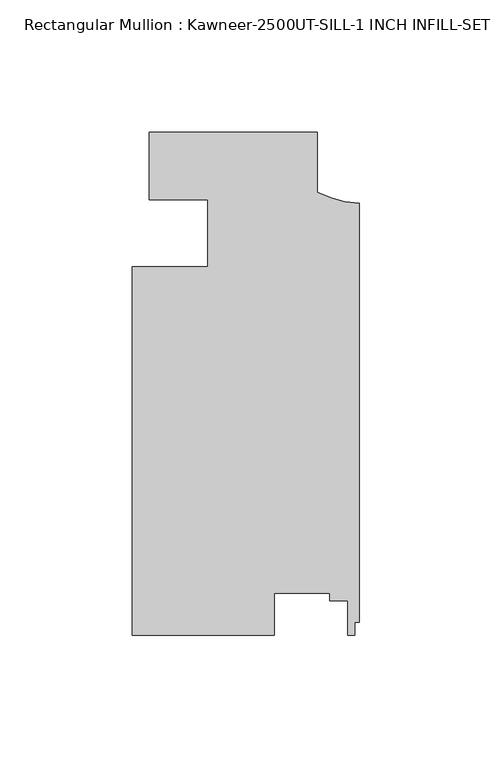
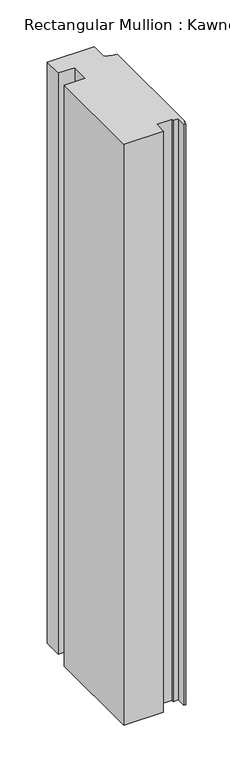
"""IFC4 building model written with IfcOpenShell, lengths in millimetres: member geometry, Rectangular Mullion : Kawneer-2500UT-SILL-1 INCH INFILL-SET 6."""

from ifc_helpers import new_model, si_unit, point, frame, frame_2d, origin, place, context, project, spatial, polyline, circle_curve, trimmed, segment, composite_curve, outline, extrude, source, transform, mapped, element, save


def rectangular_mullion_kawneer_2500ut_sill_1_inch_infill_set_6_67a3625b(model_context):
    return source(origin(), model_context, "Body", "SweptSolid", [
        extrude(outline(composite_curve([segment(polyline([(-79.375, -0.1984375), (-15.859125, -0.1984375), (-15.859125, -22.7601346)]), True, "CONTINUOUS"), segment(trimmed(circle_curve(frame_2d((2.0735887, 12.36649)), 39.4393455), [point((-15.859125, -22.7601346))], [point((0.0, -27.0183066))], True, "CARTESIAN"), True, "CONTINUOUS"), segment(polyline([(0.0, -27.0183066), (0.0, -185.3102079), (-1.7653015, -185.3102079), (-1.7653015, -190.2063125), (-4.3053014, -190.2063125), (-4.3053014, -177.1625133), (-11.1633011, -177.1625133), (-11.1633011, -174.307908), (-32.1099503, -174.307908), (-32.1099503, -190.2063125), (-85.725, -190.2063125), (-85.725, -51.014765), (-57.15, -51.0141832), (-57.15, -25.9319452)]), True, "CONTINUOUS"), segment(trimmed(circle_curve(frame_2d((-75.0742482, -486.6221322)), 461.0387479), [point((-57.15, -25.9319452))], [point((-79.375, -25.6034443))], True, "CARTESIAN"), True, "CONTINUOUS"), segment(polyline([(-79.375, -25.6034443), (-79.375, -0.1984375)]), True, "CONTINUOUS")], self_intersect=False)), frame((0.0, 0.0, -831.6331251), z_axis=(0.0, 0.0, 1.0), x_axis=(1.0, 0.0, 0.0)), (0.0, 0.0, 1.0), 831.6331251),
    ])


if __name__ == "__main__":
    model = new_model("IFC4")
    model_context = context("Model", 3, world=origin())
    ifc_project = project(units=[si_unit("LENGTHUNIT", "METRE", prefix="MILLI")], contexts=[model_context])
    site = spatial("IfcSite", under=ifc_project)
    building = spatial("IfcBuilding", under=site)
    placement = place(None, origin())
    rectangular_mullion_kawneer_2500ut_sill_1_inch_infill_set_6_shape = rectangular_mullion_kawneer_2500ut_sill_1_inch_infill_set_6_67a3625b(model_context)
    element("IfcMember", 1, ObjectType="Rectangular Mullion : Kawneer-2500UT-SILL-1 INCH INFILL-SET 6", at=placement, inside=building, context=model_context, shape_type="MappedRepresentation", body=[
        mapped(rectangular_mullion_kawneer_2500ut_sill_1_inch_infill_set_6_shape, transform((0.0, 0.0, 0.0), x_axis=(1.0, 0.0, 0.0), y_axis=(0.0, 1.0, 0.0), z_axis=(0.0, 0.0, 1.0))),
    ])
    save(model, "model.ifc")
